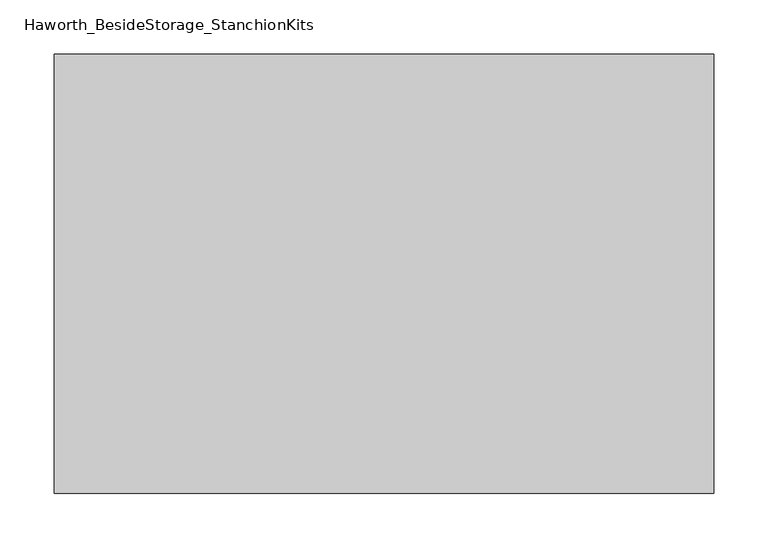
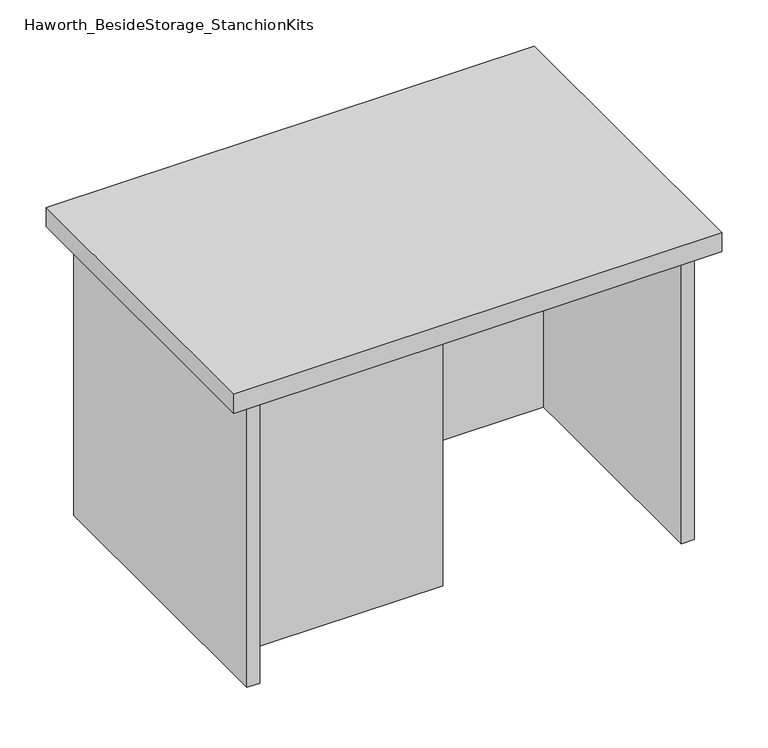
"""IFC4 building model written with IfcOpenShell, lengths in millimetres: furniture geometry, Haworth_BesideStorage_StanchionKits."""

from ifc_helpers import new_model, si_unit, frame, origin, place, context, project, spatial, polyline, outline, extrude, source, transform, mapped, element, save


def haworth_besidestorage_stanchionkits_3f91fad2(model_context):
    return source(origin(), model_context, "Body", "SweptSolid", [
        extrude(outline(polyline([(466.725, 0.0), (466.725, -406.4), (-142.875, -406.4), (-142.875, 0.0), (466.725, 0.0)])), frame((0.0, 0.0, 812.8), z_axis=(0.0, 0.0, 1.0), x_axis=(1.0, 0.0, 0.0)), (0.0, 0.0, 1.0), 25.4),
        extrude(outline(polyline([(161.925, -76.2), (425.45, -76.2), (425.45, -92.075), (161.925, -92.075), (161.925, -76.2)])), frame((0.0, 0.0, 431.8), z_axis=(0.0, 0.0, 1.0), x_axis=(1.0, 0.0, 0.0)), (0.0, 0.0, 1.0), 381.0),
        extrude(outline(polyline([(161.925, -314.325), (161.925, -330.2), (-101.6, -330.2), (-101.6, -314.325), (161.925, -314.325)])), frame((0.0, 0.0, 431.8), z_axis=(0.0, 0.0, 1.0), x_axis=(1.0, 0.0, 0.0)), (0.0, 0.0, 1.0), 381.0),
        extrude(outline(polyline([(441.325, -390.525), (425.45, -390.525), (425.45, -15.875), (441.325, -15.875), (441.325, -390.525)])), frame((0.0, 0.0, 431.8), z_axis=(0.0, 0.0, 1.0), x_axis=(1.0, 0.0, 0.0)), (0.0, 0.0, 1.0), 381.0),
        extrude(outline(polyline([(-101.6, -390.525), (-117.475, -390.525), (-117.475, -15.875), (-101.6, -15.875), (-101.6, -390.525)])), frame((0.0, 0.0, 431.8), z_axis=(0.0, 0.0, 1.0), x_axis=(1.0, 0.0, 0.0)), (0.0, 0.0, 1.0), 381.0),
    ])


if __name__ == "__main__":
    model = new_model("IFC4")
    model_context = context("Model", 3, world=origin())
    ifc_project = project(units=[si_unit("LENGTHUNIT", "METRE", prefix="MILLI")], contexts=[model_context])
    site = spatial("IfcSite", under=ifc_project)
    building = spatial("IfcBuilding", under=site)
    placement = place(None, origin())
    haworth_besidestorage_stanchionkits_shape = haworth_besidestorage_stanchionkits_3f91fad2(model_context)
    element("IfcFurniture", 1, ObjectType="Haworth_BesideStorage_StanchionKits", at=placement, inside=building, context=model_context, shape_type="MappedRepresentation", body=[
        mapped(haworth_besidestorage_stanchionkits_shape, transform((0.0, 0.0, 0.0), x_axis=(1.0, 0.0, 0.0), y_axis=(0.0, 1.0, 0.0), z_axis=(0.0, 0.0, 1.0))),
    ])
    save(model, "model.ifc")
